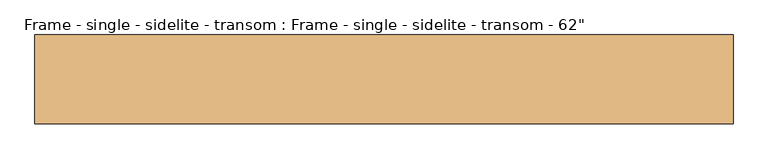
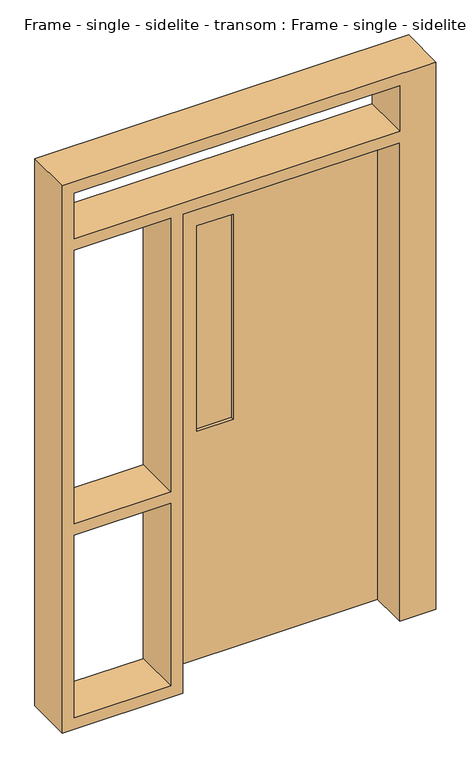
"""IFC4 building model written with IfcOpenShell, lengths in millimetres: door geometry."""

from ifc_helpers import new_model, si_unit, frame, origin, place, context, project, spatial, polyline, outline, extrude, source, transform, mapped, element, save


def door_0d618367(model_context):
    return source(origin(), model_context, "Body", "SweptSolid", [
        extrude(outline(polyline([(-152.4, 73.9678304), (-304.8, 73.9678304), (-304.8, 86.9654867), (-152.4, 86.9654867), (-152.4, 73.9678304)])), frame((0.0, 0.0, 1016.0), z_axis=(0.0, 0.0, 1.0), x_axis=(1.0, 0.0, 0.0)), (0.0, 0.0, 1.0), 914.4),
        extrude(outline(polyline([(2133.6, 457.2), (2133.6, -457.2), (0.0, -457.2), (0.0, 457.2), (2133.6, 457.2)]), holes=[polyline([(1016.0, -152.4), (1016.0, -304.8), (1930.4, -304.8), (1930.4, -152.4), (1016.0, -152.4)])]), frame((0.0, 61.2863062, 0.0), z_axis=(0.0, 1.0, 0.0), x_axis=(0.0, 0.0, 1.0)), (0.0, 0.0, 1.0), 38.3607048),
        extrude(outline(polyline([(0.0, 457.2), (0.0, 609.6), (2438.4, 609.6), (2438.4, -965.2), (0.0, -965.2), (0.0, -457.2), (2133.6, -457.2), (2133.6, 457.2), (0.0, 457.2)]), holes=[polyline([(914.4, -914.4), (2133.6, -914.4), (2133.6, -508.0), (914.4, -508.0), (914.4, -914.4)]), polyline([(50.8, -508.0), (50.8, -914.4), (863.6, -914.4), (863.6, -508.0), (50.8, -508.0)]), polyline([(2184.4, -914.4), (2387.6, -914.4), (2387.6, 457.2), (2184.4, 457.2), (2184.4, -914.4)])]), frame((0.0, -100.3779891, 0.0), z_axis=(0.0, 1.0, 0.0), x_axis=(0.0, 0.0, 1.0)), (0.0, 0.0, 1.0), 200.025),
    ])


if __name__ == "__main__":
    model = new_model("IFC4")
    model_context = context("Model", 3, world=origin())
    ifc_project = project(units=[si_unit("LENGTHUNIT", "METRE", prefix="MILLI")], contexts=[model_context])
    site = spatial("IfcSite", under=ifc_project)
    building = spatial("IfcBuilding", under=site)
    placement = place(None, origin())
    door_shape = door_0d618367(model_context)
    element("IfcDoor", 1, ObjectType="Frame - single - sidelite - transom : Frame - single - sidelite - transom - 62\"", at=placement, inside=building, context=model_context, shape_type="MappedRepresentation", body=[
        mapped(door_shape, transform((0.0, 0.0, 0.0), x_axis=(1.0, 0.0, 0.0), y_axis=(0.0, 1.0, 0.0), z_axis=(0.0, 0.0, 1.0))),
    ])
    save(model, "model.ifc")
